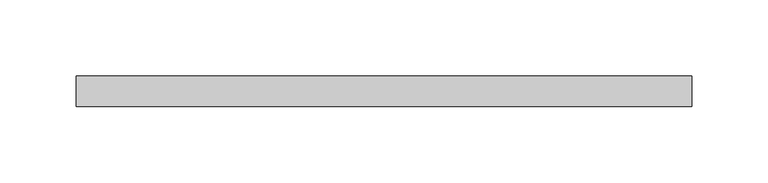
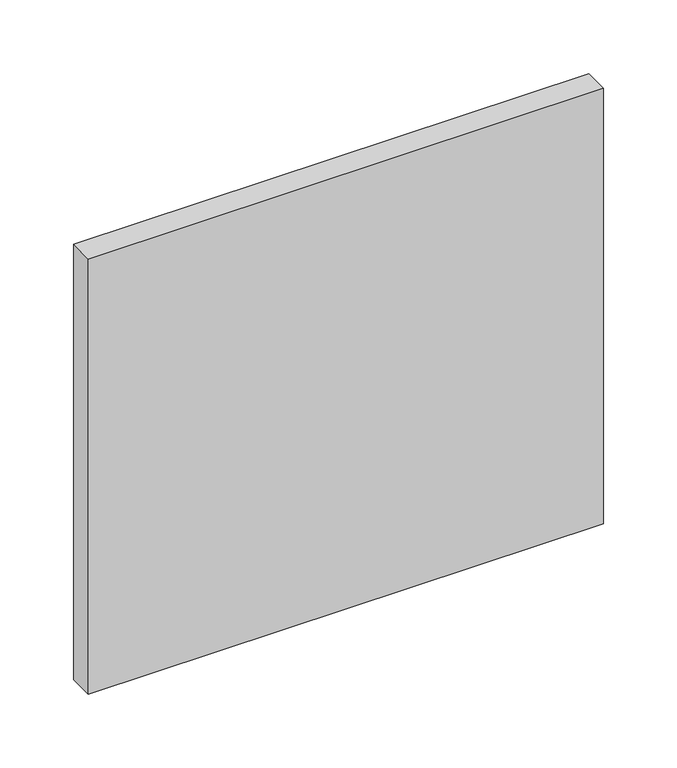
"""IFC4 building model written with IfcOpenShell, lengths in millimetres: plate geometry."""

from ifc_helpers import new_model, si_unit, origin, origin_with_axes, place, context, project, spatial, polyline, outline, extrude, source, transform, mapped, element, save


def plate_4a7d7fa5(model_context):
    return source(origin(), model_context, "Body", "SweptSolid", [
        extrude(outline(polyline([(201.8421053, 70.0), (-201.8421053, 70.0), (-201.8421053, 90.0), (201.8421053, 90.0), (201.8421053, 70.0)])), origin_with_axes(), (0.0, 0.0, 1.0), 360.4875),
    ])


if __name__ == "__main__":
    model = new_model("IFC4")
    model_context = context("Model", 3, world=origin())
    ifc_project = project(units=[si_unit("LENGTHUNIT", "METRE", prefix="MILLI")], contexts=[model_context])
    site = spatial("IfcSite", under=ifc_project)
    building = spatial("IfcBuilding", under=site)
    placement = place(None, origin())
    plate_shape = plate_4a7d7fa5(model_context)
    element("IfcPlate", 1, at=placement, inside=building, context=model_context, shape_type="MappedRepresentation", body=[
        mapped(plate_shape, transform((0.0, 0.0, 0.0), x_axis=(1.0, 0.0, 0.0), y_axis=(0.0, 1.0, 0.0), z_axis=(0.0, 0.0, 1.0))),
    ])
    save(model, "model.ifc")
